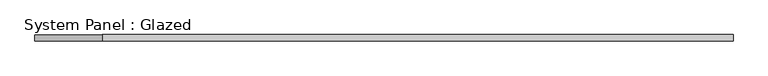
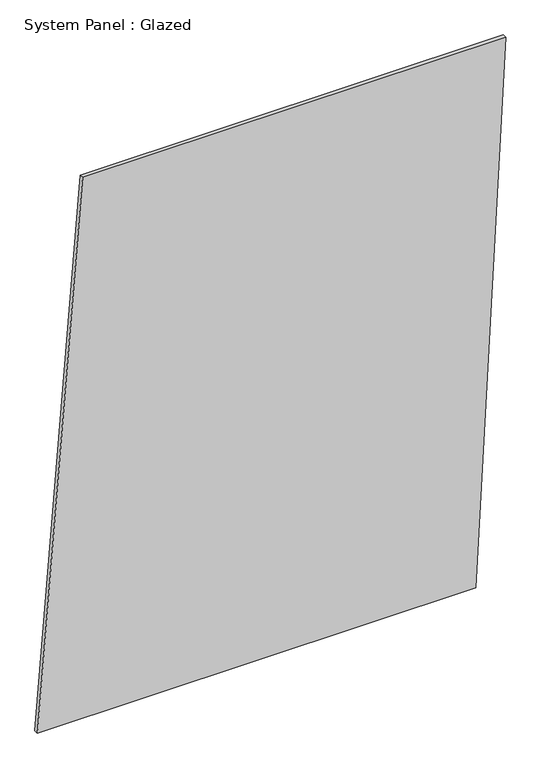
"""IFC4 building model written with IfcOpenShell, lengths in millimetres: plate geometry, System Panel : Glazed."""

from ifc_helpers import new_model, si_unit, frame, origin, place, context, project, spatial, polyline, outline, extrude, source, transform, mapped, element, save


def system_panel_glazed_01c998ab(model_context):
    return source(origin(), model_context, "Body", "SweptSolid", [
        extrude(outline(polyline([(0.0, -1368.529787), (0.0, 1192.6399993), (3340.8312383, 1368.529787), (3340.8312383, -1104.6951054), (0.0, -1368.529787)])), frame((0.0, -49.5, 0.0), z_axis=(0.0, 1.0, 0.0), x_axis=(0.0, 0.0, 1.0)), (0.0, 0.0, 1.0), 25.0),
    ])


if __name__ == "__main__":
    model = new_model("IFC4")
    model_context = context("Model", 3, world=origin())
    ifc_project = project(units=[si_unit("LENGTHUNIT", "METRE", prefix="MILLI")], contexts=[model_context])
    site = spatial("IfcSite", under=ifc_project)
    building = spatial("IfcBuilding", under=site)
    placement = place(None, origin())
    system_panel_glazed_shape = system_panel_glazed_01c998ab(model_context)
    element("IfcPlate", 1, ObjectType="System Panel : Glazed", at=placement, inside=building, context=model_context, shape_type="MappedRepresentation", body=[
        mapped(system_panel_glazed_shape, transform((0.0, 0.0, 0.0), x_axis=(1.0, 0.0, 0.0), y_axis=(0.0, 1.0, 0.0), z_axis=(0.0, 0.0, 1.0))),
    ])
    save(model, "model.ifc")
